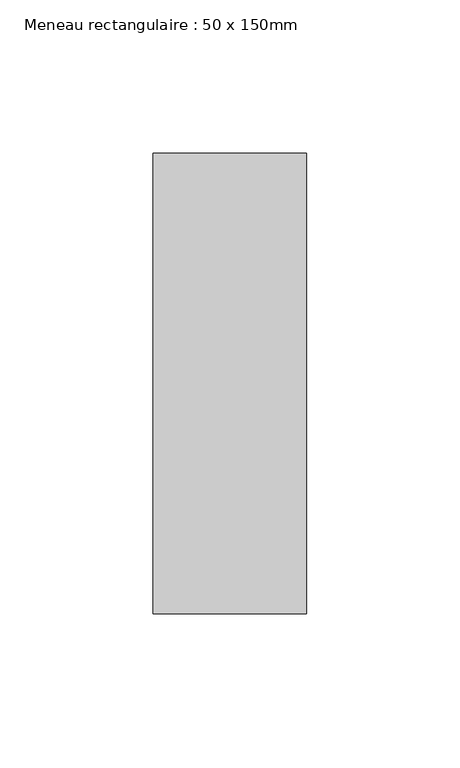
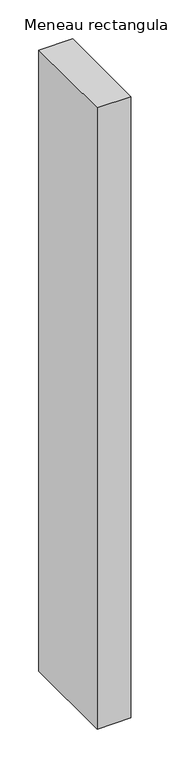
"""IFC4 building model written with IfcOpenShell, lengths in millimetres: member geometry, Meneau rectangulaire : 50 x 150mm."""

import ifcopenshell
import ifcopenshell.guid

model = None  # the IFC model being written
_history = None  # IfcOwnerHistory: only IFC2X3 demands one
_inside = {}  # id of a spatial element -> (the spatial element, [elements in it])
_under = {}  # id of a project, library or spatial element -> (it, [spatial elements below it])
_declared = {}  # id of a project -> (the project, [libraries it declares])
_typed = {}  # id of a type object -> (the type object, [elements of that type])
_made_of = {}  # id of a material, layer set ... -> (it, [elements and type objects made of it])


def new_model(schema):
    """Start an empty IFC model of exactly this schema.

    Asked for "IFC4X3", IfcOpenShell would pick the latest addendum, in which some entities
    have other attributes; the version numbers below select the first issue.
    IFC2X3 requires an IfcOwnerHistory on every rooted entity: one is made here for all.
    """
    global model, _history
    if schema == "IFC4X3":
        model = ifcopenshell.file(schema_version=(4, 3, 0, 0))
    else:
        model = ifcopenshell.file(schema=schema)
    _inside.clear()
    _under.clear()
    _declared.clear()
    _typed.clear()
    _made_of.clear()
    _history = None
    if model.schema == "IFC2X3":
        org = make("IfcOrganization", Name="unknown")
        user = make(
            "IfcPersonAndOrganization",
            ThePerson=make("IfcPerson", FamilyName="unknown"),
            TheOrganization=org,
        )
        app = make(
            "IfcApplication",
            ApplicationDeveloper=org,
            Version="unknown",
            ApplicationFullName="unknown",
            ApplicationIdentifier="unknown",
        )
        _history = make(
            "IfcOwnerHistory",
            OwningUser=user,
            OwningApplication=app,
            ChangeAction="ADDED",
            CreationDate=0,
        )
    return model


def make(cls, **values):
    """One entity of the class cls with the attributes given. An attribute that is None is left unset."""
    return model.create_entity(
        cls, **{name: value for name, value in values.items() if value is not None}
    )


def rooted(cls, **values):
    """An entity with a GlobalId (a new one), such as an element, a storey or a relation."""
    return make(cls, GlobalId=ifcopenshell.guid.new(), OwnerHistory=_history, **values)


def si_unit(unit_type, name, prefix=None):
    """IfcSIUnit, for example si_unit("LENGTHUNIT", "METRE", prefix="MILLI")."""
    return make("IfcSIUnit", UnitType=unit_type, Prefix=prefix, Name=name)


def assignment(units):
    """IfcUnitAssignment: the units of a project."""
    return None if units is None else make("IfcUnitAssignment", Units=units)


def point(xyz):
    """IfcCartesianPoint."""
    return None if xyz is None else make("IfcCartesianPoint", Coordinates=xyz)


def direction(xyz):
    """IfcDirection."""
    return None if xyz is None else make("IfcDirection", DirectionRatios=xyz)


def frame(location, z_axis=None, x_axis=None):
    """IfcAxis2Placement3D, a coordinate frame: its origin and axes. An axis left out is left unset."""
    return make(
        "IfcAxis2Placement3D",
        Location=point(location),
        Axis=direction(z_axis),
        RefDirection=direction(x_axis),
    )


def origin():
    """The frame at (0, 0, 0) with its axes left unset."""
    return frame((0.0, 0.0, 0.0))


def place(relative_to, where):
    """IfcLocalPlacement: puts the frame where relative to a parent placement (None: the world)."""
    return make(
        "IfcLocalPlacement", PlacementRelTo=relative_to, RelativePlacement=where
    )


def context(
    kind, dimensions, precision=None, world=None, true_north=None, identifier=None
):
    """IfcGeometricRepresentationContext, for example the 3D "Model" context."""
    return make(
        "IfcGeometricRepresentationContext",
        ContextIdentifier=identifier,
        ContextType=kind,
        CoordinateSpaceDimension=dimensions,
        Precision=precision,
        WorldCoordinateSystem=world,
        TrueNorth=true_north,
    )


def project(units=None, contexts=None):
    """IfcProject with its units and contexts."""
    return rooted(
        "IfcProject",
        Name="project",
        RepresentationContexts=contexts,
        UnitsInContext=assignment(units),
    )


def spatial(cls, under=None, at=None, **own):
    """A site, building, storey or space (cls), placed at a placement, below another one or the project."""
    s = rooted(cls, ObjectPlacement=at, **own)
    if under is not None:
        _under.setdefault(under.id(), (under, []))[1].append(s)
    return s


def polyline(points):
    """IfcPolyline through the points."""
    return make("IfcPolyline", Points=[point(p) for p in points])


def outline(outer, holes=None, kind="AREA"):
    """IfcArbitraryClosedProfileDef: a profile drawn as a closed curve; with holes, ...WithVoids."""
    if holes is None:
        return make("IfcArbitraryClosedProfileDef", ProfileType=kind, OuterCurve=outer)
    return make(
        "IfcArbitraryProfileDefWithVoids",
        ProfileType=kind,
        OuterCurve=outer,
        InnerCurves=holes,
    )


def extrude(swept, where, along, depth):
    """IfcExtrudedAreaSolid: the profile swept, set in the frame where, extruded along a direction by depth."""
    return make(
        "IfcExtrudedAreaSolid",
        SweptArea=swept,
        Position=where,
        ExtrudedDirection=direction(along),
        Depth=depth,
    )


def shape(context_of_items, identifier, shape_type, items):
    """IfcShapeRepresentation: the items that make up one representation, for example the "Body"."""
    return make(
        "IfcShapeRepresentation",
        ContextOfItems=context_of_items,
        RepresentationIdentifier=identifier,
        RepresentationType=shape_type,
        Items=items,
    )


def source(mapping_origin, context_of_items, identifier, shape_type, items):
    """IfcRepresentationMap: a shape defined once, which mapped items show again and again."""
    return make(
        "IfcRepresentationMap",
        MappingOrigin=mapping_origin,
        MappedRepresentation=shape(context_of_items, identifier, shape_type, items),
    )


def transform(
    local_origin,
    x_axis=None,
    y_axis=None,
    z_axis=None,
    scale=None,
    scale2=None,
    scale3=None,
    uniform=True,
):
    """IfcCartesianTransformationOperator3D, or its non-uniform kind. x_axis, y_axis, z_axis: its Axis1, 2, 3."""
    if uniform:
        return make(
            "IfcCartesianTransformationOperator3D",
            Axis1=direction(x_axis),
            Axis2=direction(y_axis),
            LocalOrigin=point(local_origin),
            Scale=scale,
            Axis3=direction(z_axis),
        )
    return make(
        "IfcCartesianTransformationOperator3DnonUniform",
        Axis1=direction(x_axis),
        Axis2=direction(y_axis),
        LocalOrigin=point(local_origin),
        Scale=scale,
        Axis3=direction(z_axis),
        Scale2=scale2,
        Scale3=scale3,
    )


def mapped(mapping_source, mapping_target):
    """IfcMappedItem: shows the shape of a source again, moved by a transform."""
    return make(
        "IfcMappedItem", MappingSource=mapping_source, MappingTarget=mapping_target
    )


def made_of(thing, what):
    """Note that an element or type object is made of a material, layer set ...; save() writes the relation."""
    if what is not None:
        _made_of.setdefault(what.id(), (what, []))[1].append(thing)
    return thing


def element(
    cls,
    number,
    at=None,
    inside=None,
    cuts=None,
    type_object=None,
    material=None,
    context=None,
    identifier="Body",
    shape_type=None,
    held_by="IfcProductDefinitionShape",
    body=None,
    shapes=None,
    **own,
):
    """One element of the class cls, such as IfcWall. Its Tag is "e" and its number.

    at: its placement. inside: the storey or other place that contains it. cuts: it is an
    opening in that element (IfcRelVoidsElement). A single representation is given by context,
    identifier, shape_type and body (its items); several are given by shapes. held_by: the class
    of the entity that holds the representations. save() writes the other relations.
    """
    e = rooted(cls, Tag="e%d" % number, ObjectPlacement=at, **own)
    if body is not None:
        shapes = [shape(context, identifier, shape_type, body)]
    if shapes is not None:
        e.Representation = make(held_by, Representations=shapes)
    if inside is not None:
        _inside.setdefault(inside.id(), (inside, []))[1].append(e)
    if cuts is not None:
        rooted(
            "IfcRelVoidsElement", RelatingBuildingElement=cuts, RelatedOpeningElement=e
        )
    if type_object is not None:
        _typed.setdefault(type_object.id(), (type_object, []))[1].append(e)
    return made_of(e, material)


def aggregate(whole, parts):
    """IfcRelAggregates: a whole, such as a stair, and the parts it consists of."""
    return rooted("IfcRelAggregates", RelatingObject=whole, RelatedObjects=parts)


def save(model, path):
    """Write the relations noted so far, then the file.

    IfcRelAggregates (storeys below a building ...), IfcRelContainedInSpatialStructure (elements
    in a storey), IfcRelDefinesByType, IfcRelAssociatesMaterial and IfcRelDeclares: one each for
    every whole, place, type object, material and project.
    """
    for whole, parts in _under.values():
        aggregate(whole, parts)
    for where, things in _inside.values():
        rooted(
            "IfcRelContainedInSpatialStructure",
            RelatedElements=things,
            RelatingStructure=where,
        )
    for kind, things in _typed.values():
        rooted("IfcRelDefinesByType", RelatedObjects=things, RelatingType=kind)
    for what, things in _made_of.values():
        rooted("IfcRelAssociatesMaterial", RelatedObjects=things, RelatingMaterial=what)
    for by, libraries in _declared.values():
        rooted("IfcRelDeclares", RelatingContext=by, RelatedDefinitions=libraries)
    model.write(path)


def meneau_rectangulaire_50_x_150mm_2578323a(model_context):
    return source(origin(), model_context, "Body", "SweptSolid", [
        extrude(outline(polyline([(0.0, 75.0), (0.0, -75.0), (-50.0, -75.0), (-50.0, 75.0), (0.0, 75.0)])), frame((0.0, 0.0, -975.0), z_axis=(0.0, 0.0, 1.0), x_axis=(1.0, 0.0, 0.0)), (0.0, 0.0, 1.0), 975.0),
    ])


if __name__ == "__main__":
    model = new_model("IFC4")
    model_context = context("Model", 3, world=origin())
    ifc_project = project(units=[si_unit("LENGTHUNIT", "METRE", prefix="MILLI")], contexts=[model_context])
    site = spatial("IfcSite", under=ifc_project)
    building = spatial("IfcBuilding", under=site)
    placement = place(None, origin())
    meneau_rectangulaire_50_x_150mm_shape = meneau_rectangulaire_50_x_150mm_2578323a(model_context)
    element("IfcMember", 1, ObjectType="Meneau rectangulaire : 50 x 150mm", at=placement, inside=building, context=model_context, shape_type="MappedRepresentation", body=[
        mapped(meneau_rectangulaire_50_x_150mm_shape, transform((0.0, 0.0, 0.0), x_axis=(1.0, 0.0, 0.0), y_axis=(0.0, 1.0, 0.0), z_axis=(0.0, 0.0, 1.0))),
    ])
    save(model, "model.ifc")
